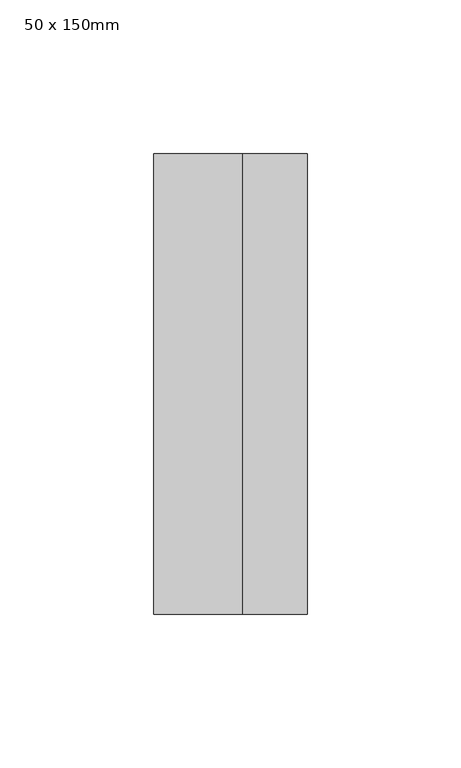
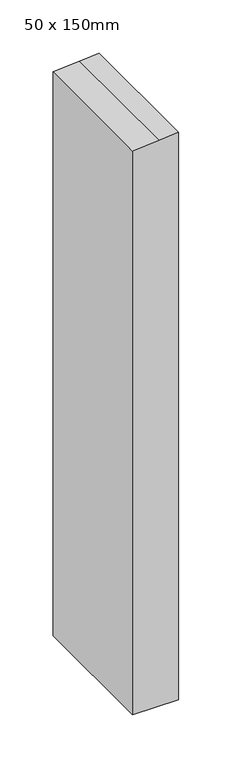
"""IFC4 building model written with IfcOpenShell, lengths in millimetres: member geometry, 50 x 150mm."""

from ifc_helpers import new_model, si_unit, frame, origin, place, context, project, spatial, polyline, outline, extrude, source, transform, mapped, element, save


def member_50_x_150mm_c296e932(model_context):
    return source(origin(), model_context, "Body", "SweptSolid", [
        extrude(outline(polyline([(-48.1523592, 25.0), (-49.8393678, 4.0046743), (-52.1699406, -25.0), (-699.6784968, -25.0), (-699.6784968, 25.0), (-48.1523592, 25.0)])), frame((0.0, -75.0, 0.0), z_axis=(0.0, 1.0, 0.0), x_axis=(0.0, 0.0, 1.0)), (0.0, 0.0, 1.0), 150.0),
    ])


if __name__ == "__main__":
    model = new_model("IFC4")
    model_context = context("Model", 3, world=origin())
    ifc_project = project(units=[si_unit("LENGTHUNIT", "METRE", prefix="MILLI")], contexts=[model_context])
    site = spatial("IfcSite", under=ifc_project)
    building = spatial("IfcBuilding", under=site)
    placement = place(None, origin())
    member_50_x_150mm_shape = member_50_x_150mm_c296e932(model_context)
    element("IfcMember", 1, ObjectType="50 x 150mm", at=placement, inside=building, context=model_context, shape_type="MappedRepresentation", body=[
        mapped(member_50_x_150mm_shape, transform((0.0, 0.0, 0.0), x_axis=(1.0, 0.0, 0.0), y_axis=(0.0, 1.0, 0.0), z_axis=(0.0, 0.0, 1.0))),
    ])
    save(model, "model.ifc")
